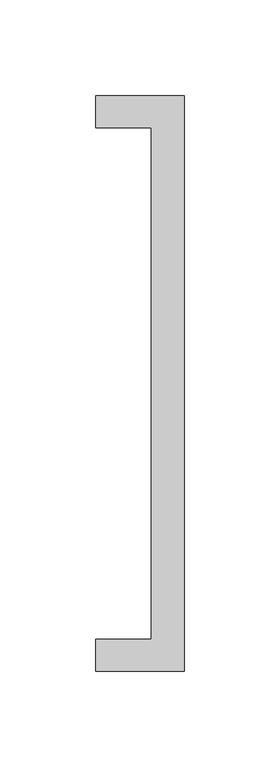
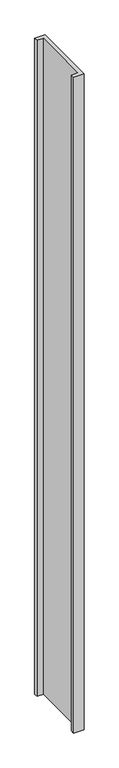
"""IFC4 building model written with IfcOpenShell, lengths in millimetres: proxy geometry."""

from ifc_helpers import new_model, si_unit, origin, origin_with_axes, place, context, project, spatial, polyline, outline, extrude, source, transform, mapped, element, save


def specialty_equipment_e88defe8(model_context):
    return source(origin(), model_context, "Body", "SweptSolid", [
        extrude(outline(polyline([(1338.9581075, 275.7859375), (1309.9581075, 275.7859375), (1309.9581075, 292.2859375), (1355.9581075, 292.2859375), (1355.9581075, -7.7140625), (1309.9581075, -7.7140625), (1309.9581075, 8.7859375), (1338.9581075, 8.7859375), (1338.9581075, 275.7859375)])), origin_with_axes(), (0.0, 0.0, 1.0), 3073.4),
    ])


if __name__ == "__main__":
    model = new_model("IFC4")
    model_context = context("Model", 3, world=origin())
    ifc_project = project(units=[si_unit("LENGTHUNIT", "METRE", prefix="MILLI")], contexts=[model_context])
    site = spatial("IfcSite", under=ifc_project)
    building = spatial("IfcBuilding", under=site)
    placement = place(None, origin())
    specialty_equipment_shape = specialty_equipment_e88defe8(model_context)
    element("IfcBuildingElementProxy", 1, Name="Specialty Equipment", at=placement, inside=building, context=model_context, shape_type="MappedRepresentation", body=[
        mapped(specialty_equipment_shape, transform((0.0, 0.0, 0.0), x_axis=(1.0, 0.0, 0.0), y_axis=(0.0, 1.0, 0.0), z_axis=(0.0, 0.0, 1.0))),
    ])
    save(model, "model.ifc")
